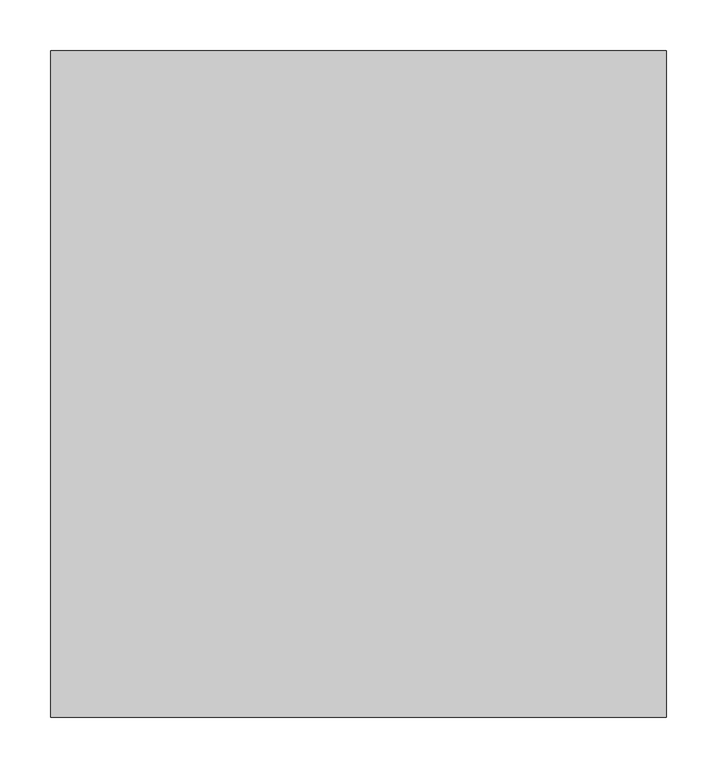
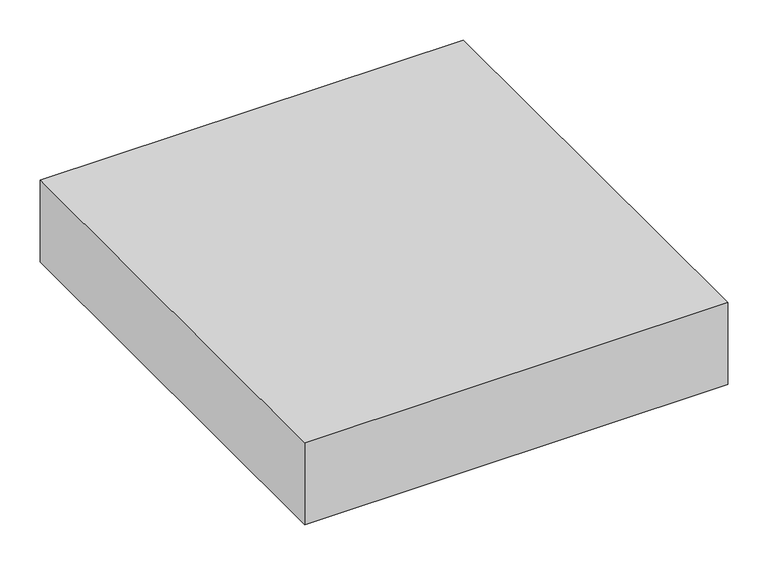
"""IFC4 building model written with IfcOpenShell, lengths in millimetres: proxy geometry."""

from ifc_helpers import new_model, si_unit, frame, origin, place, context, project, spatial, polyline, outline, extrude, source, transform, mapped, element, save


def electrical_equipment_ddeea7b3(model_context):
    return source(origin(), model_context, "Body", "SweptSolid", [
        extrude(outline(polyline([(305.0, -660.0), (-305.0, -660.0), (-305.0, 0.0), (305.0, 0.0), (305.0, -660.0)])), frame((0.0, 0.0, -125.0), z_axis=(0.0, 0.0, 1.0), x_axis=(1.0, 0.0, 0.0)), (0.0, 0.0, 1.0), 125.0),
    ])


if __name__ == "__main__":
    model = new_model("IFC4")
    model_context = context("Model", 3, world=origin())
    ifc_project = project(units=[si_unit("LENGTHUNIT", "METRE", prefix="MILLI")], contexts=[model_context])
    site = spatial("IfcSite", under=ifc_project)
    building = spatial("IfcBuilding", under=site)
    placement = place(None, origin())
    electrical_equipment_shape = electrical_equipment_ddeea7b3(model_context)
    element("IfcBuildingElementProxy", 1, Name="Electrical Equipment", at=placement, inside=building, context=model_context, shape_type="MappedRepresentation", body=[
        mapped(electrical_equipment_shape, transform((0.0, 0.0, 0.0), x_axis=(1.0, 0.0, 0.0), y_axis=(0.0, 1.0, 0.0), z_axis=(0.0, 0.0, 1.0))),
    ])
    save(model, "model.ifc")
